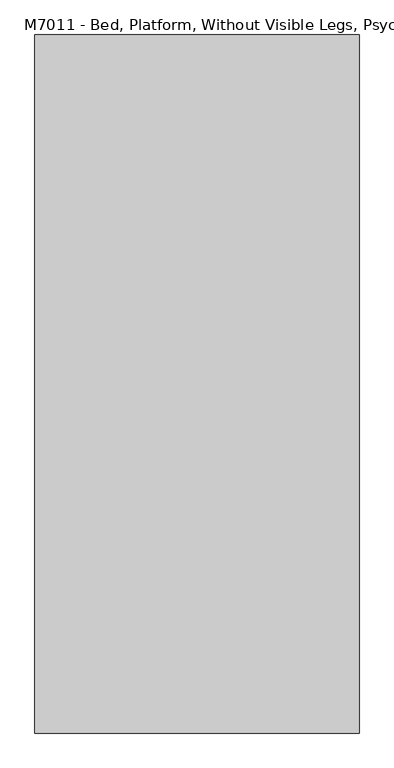
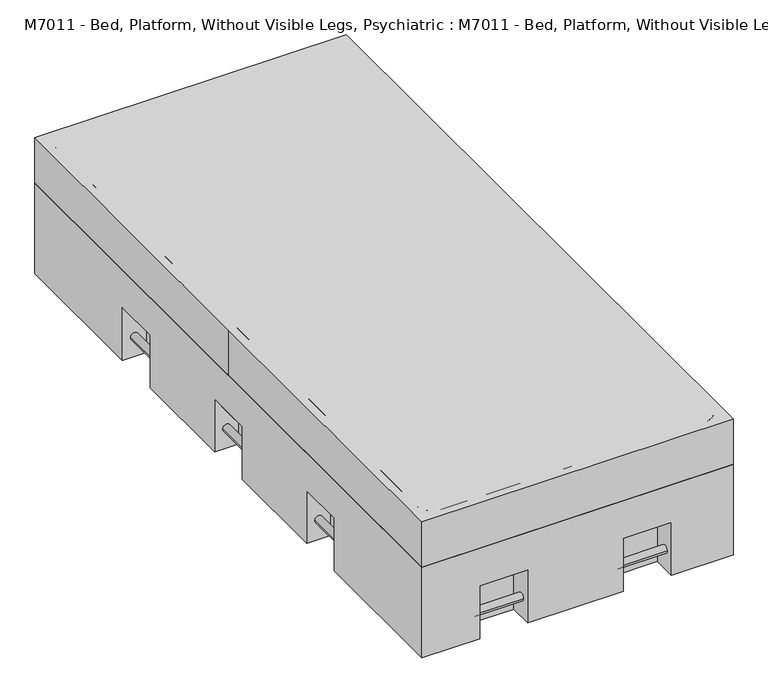
"""IFC4 building model written with IfcOpenShell, lengths in millimetres: proxy geometry, M7011 - Bed, Platform, Without Visible Legs, Psychiatric : M7011 - Bed, Platform, Without Visible Legs, Psychiatric."""

from ifc_helpers import new_model, si_unit, point, frame, frame_2d, origin, place, context, project, spatial, polyline, circle_curve, trimmed, segment, composite_curve, outline, extrude, faceted_brep, source, transform, mapped, element, save


def m7011_bed_platform_without_visible_legs_psychiatric_m7011_c11b0e18(model_context):
    return source(origin(), model_context, "Body", "SolidModel", [
        extrude(outline(composite_curve([segment(trimmed(circle_curve(frame_2d((68.0585065, -457.2)), 12.7), [point((68.0585065, -444.5))], [point((68.0585065, -469.9))], False, "CARTESIAN"), True, "CONTINUOUS"), segment(trimmed(circle_curve(frame_2d((68.0585065, -457.2)), 12.7), [point((68.0585065, -469.9))], [point((68.0585065, -444.5))], False, "CARTESIAN"), True, "CONTINUOUS")], self_intersect=False)), frame((0.0, 431.8, 0.0), z_axis=(0.0, 1.0, 0.0), x_axis=(0.0, 0.0, 1.0)), (0.0, 0.0, 1.0), 152.4),
        extrude(outline(composite_curve([segment(trimmed(circle_curve(frame_2d((68.0585065, -457.2)), 12.7), [point((68.0585065, -444.5))], [point((68.0585065, -469.9))], False, "CARTESIAN"), True, "CONTINUOUS"), segment(trimmed(circle_curve(frame_2d((68.0585065, -457.2)), 12.7), [point((68.0585065, -469.9))], [point((68.0585065, -444.5))], False, "CARTESIAN"), True, "CONTINUOUS")], self_intersect=False)), frame((0.0, -584.2, 0.0), z_axis=(0.0, 1.0, 0.0), x_axis=(0.0, 0.0, 1.0)), (0.0, 0.0, 1.0), 152.4),
        extrude(outline(composite_curve([segment(trimmed(circle_curve(frame_2d((68.0585065, -457.2)), 12.7), [point((68.0585065, -444.5))], [point((68.0585065, -469.9))], False, "CARTESIAN"), True, "CONTINUOUS"), segment(trimmed(circle_curve(frame_2d((68.0585065, -457.2)), 12.7), [point((68.0585065, -469.9))], [point((68.0585065, -444.5))], False, "CARTESIAN"), True, "CONTINUOUS")], self_intersect=False)), frame((0.0, -76.2, 0.0), z_axis=(0.0, 1.0, 0.0), x_axis=(0.0, 0.0, 1.0)), (0.0, 0.0, 1.0), 152.4),
        extrude(outline(composite_curve([segment(trimmed(circle_curve(frame_2d((68.0585065, 457.2)), 12.7), [point((68.0585065, 444.5))], [point((68.0585065, 469.9))], False, "CARTESIAN"), True, "CONTINUOUS"), segment(trimmed(circle_curve(frame_2d((68.0585065, 457.2)), 12.7), [point((68.0585065, 469.9))], [point((68.0585065, 444.5))], False, "CARTESIAN"), True, "CONTINUOUS")], self_intersect=False)), frame((0.0, 431.8, 0.0), z_axis=(0.0, 1.0, 0.0), x_axis=(0.0, 0.0, 1.0)), (0.0, 0.0, 1.0), 152.4),
        extrude(outline(composite_curve([segment(trimmed(circle_curve(frame_2d((68.0585065, 457.2)), 12.7), [point((68.0585065, 444.5))], [point((68.0585065, 469.9))], False, "CARTESIAN"), True, "CONTINUOUS"), segment(trimmed(circle_curve(frame_2d((68.0585065, 457.2)), 12.7), [point((68.0585065, 469.9))], [point((68.0585065, 444.5))], False, "CARTESIAN"), True, "CONTINUOUS")], self_intersect=False)), frame((0.0, -584.2, 0.0), z_axis=(0.0, 1.0, 0.0), x_axis=(0.0, 0.0, 1.0)), (0.0, 0.0, 1.0), 152.4),
        extrude(outline(composite_curve([segment(trimmed(circle_curve(frame_2d((68.0585065, 457.2)), 12.7), [point((68.0585065, 444.5))], [point((68.0585065, 469.9))], False, "CARTESIAN"), True, "CONTINUOUS"), segment(trimmed(circle_curve(frame_2d((68.0585065, 457.2)), 12.7), [point((68.0585065, 469.9))], [point((68.0585065, 444.5))], False, "CARTESIAN"), True, "CONTINUOUS")], self_intersect=False)), frame((0.0, -76.2, 0.0), z_axis=(0.0, 1.0, 0.0), x_axis=(0.0, 0.0, 1.0)), (0.0, 0.0, 1.0), 152.4),
        extrude(outline(composite_curve([segment(trimmed(circle_curve(frame_2d((-1032.01787, 68.0585065)), 12.7), [point((-1044.71787, 68.0585065))], [point((-1019.31787, 68.0585065))], False, "CARTESIAN"), True, "CONTINUOUS"), segment(trimmed(circle_curve(frame_2d((-1032.01787, 68.0585065)), 12.7), [point((-1019.31787, 68.0585065))], [point((-1044.71787, 68.0585065))], False, "CARTESIAN"), True, "CONTINUOUS")], self_intersect=False)), frame((-311.15, 0.0, 0.0), z_axis=(1.0, 0.0, 0.0), x_axis=(0.0, 1.0, 0.0)), (0.0, 0.0, 1.0), 152.4),
        extrude(outline(composite_curve([segment(trimmed(circle_curve(frame_2d((-1032.01787, 68.0585065)), 12.7), [point((-1044.71787, 68.0585065))], [point((-1019.31787, 68.0585065))], False, "CARTESIAN"), True, "CONTINUOUS"), segment(trimmed(circle_curve(frame_2d((-1032.01787, 68.0585065)), 12.7), [point((-1019.31787, 68.0585065))], [point((-1044.71787, 68.0585065))], False, "CARTESIAN"), True, "CONTINUOUS")], self_intersect=False)), frame((146.05, 0.0, 0.0), z_axis=(1.0, 0.0, 0.0), x_axis=(0.0, 1.0, 0.0)), (0.0, 0.0, 1.0), 152.4),
        extrude(outline(composite_curve([segment(trimmed(circle_curve(frame_2d((1032.01787, 68.0585065)), 12.7), [point((1044.71787, 68.0585065))], [point((1019.31787, 68.0585065))], False, "CARTESIAN"), True, "CONTINUOUS"), segment(trimmed(circle_curve(frame_2d((1032.01787, 68.0585065)), 12.7), [point((1019.31787, 68.0585065))], [point((1044.71787, 68.0585065))], False, "CARTESIAN"), True, "CONTINUOUS")], self_intersect=False)), frame((-311.15, 0.0, 0.0), z_axis=(1.0, 0.0, 0.0), x_axis=(0.0, 1.0, 0.0)), (0.0, 0.0, 1.0), 152.4),
        extrude(outline(composite_curve([segment(trimmed(circle_curve(frame_2d((1032.01787, 68.0585065)), 12.7), [point((1044.71787, 68.0585065))], [point((1019.31787, 68.0585065))], False, "CARTESIAN"), True, "CONTINUOUS"), segment(trimmed(circle_curve(frame_2d((1032.01787, 68.0585065)), 12.7), [point((1019.31787, 68.0585065))], [point((1044.71787, 68.0585065))], False, "CARTESIAN"), True, "CONTINUOUS")], self_intersect=False)), frame((146.05, 0.0, 0.0), z_axis=(1.0, 0.0, 0.0), x_axis=(0.0, 1.0, 0.0)), (0.0, 0.0, 1.0), 152.4),
        faceted_brep([(495.3, 1066.8, 304.8), (-495.3, 1066.8, 304.8), (-495.3, -1066.8, 304.8), (495.3, -1066.8, 304.8), (495.3, -1066.8, 0.0), (298.45, -1066.8, 0.0), (298.45, -990.6, 0.0), (146.05, -990.6, 0.0), (146.05, -1066.8, 0.0), (-158.75, -1066.8, 0.0), (-158.75, -990.6, 0.0), (-311.15, -990.6, 0.0), (-311.15, -1066.8, 0.0), (-495.3, -1066.8, 0.0), (-495.3, -584.2, 0.0), (-419.1, -584.2, 0.0), (-419.1, -431.8, 0.0), (-495.3, -431.8, 0.0), (-495.3, -76.2, 0.0), (-419.1, -76.2, 0.0), (-419.1, 76.2, 0.0), (-495.3, 76.2, 0.0), (-495.3, 431.8, 0.0), (-419.1, 431.8, 0.0), (-419.1, 584.2, 0.0), (-495.3, 584.2, 0.0), (-495.3, 1066.8, 0.0), (-311.15, 1066.8, 0.0), (-311.15, 990.6, 0.0), (-158.75, 990.6, 0.0), (-158.75, 1066.8, 0.0), (146.05, 1066.8, 0.0), (146.05, 990.6, 0.0), (298.45, 990.6, 0.0), (298.45, 1066.8, 0.0), (495.3, 1066.8, 0.0), (495.3, 584.2, 0.0), (419.1, 584.2, 0.0), (419.1, 431.8, 0.0), (495.3, 431.8, 0.0), (495.3, 76.2, 0.0), (419.1, 76.2, 0.0), (419.1, -76.2, 0.0), (495.3, -76.2, 0.0), (495.3, -431.8, 0.0), (419.1, -431.8, 0.0), (419.1, -584.2, 0.0), (495.3, -584.2, 0.0), (298.45, 1066.8, 177.8), (146.05, 1066.8, 177.8), (-158.75, 1066.8, 177.8), (-311.15, 1066.8, 177.8), (-495.3, 584.2, 177.8), (-495.3, 431.8, 177.8), (-495.3, 76.2, 177.8), (-495.3, -76.2, 177.8), (-495.3, -431.8, 177.8), (-495.3, -584.2, 177.8), (-311.15, -1066.8, 177.8), (-158.75, -1066.8, 177.8), (146.05, -1066.8, 177.8), (298.45, -1066.8, 177.8), (495.3, -584.2, 177.8), (495.3, -431.8, 177.8), (495.3, -76.2, 177.8), (495.3, 76.2, 177.8), (495.3, 431.8, 177.8), (495.3, 584.2, 177.8), (298.45, -990.6, 177.8), (146.05, -990.6, 177.8), (-158.75, -990.6, 177.8), (-311.15, -990.6, 177.8), (298.45, 990.6, 177.8), (146.05, 990.6, 177.8), (-158.75, 990.6, 177.8), (-311.15, 990.6, 177.8), (419.1, 76.2, 177.8), (419.1, -76.2, 177.8), (419.1, -431.8, 177.8), (419.1, -584.2, 177.8), (419.1, 431.8, 177.8), (419.1, 584.2, 177.8), (-419.1, 76.2, 177.8), (-419.1, -76.2, 177.8), (-419.1, -431.8, 177.8), (-419.1, -584.2, 177.8), (-419.1, 431.8, 177.8), (-419.1, 584.2, 177.8)], [[[0, 1, 2, 3]], [[4, 5, 6, 7, 8, 9, 10, 11, 12, 13, 14, 15, 16, 17, 18, 19, 20, 21, 22, 23, 24, 25, 26, 27, 28, 29, 30, 31, 32, 33, 34, 35, 36, 37, 38, 39, 40, 41, 42, 43, 44, 45, 46, 47]], [[1, 0, 35, 34, 48, 49, 31, 30, 50, 51, 27, 26]], [[2, 1, 26, 25, 52, 53, 22, 21, 54, 55, 18, 17, 56, 57, 14, 13]], [[3, 2, 13, 12, 58, 59, 9, 8, 60, 61, 5, 4]], [[0, 3, 4, 47, 62, 63, 44, 43, 64, 65, 40, 39, 66, 67, 36, 35]], [[61, 68, 6, 5]], [[7, 69, 60, 8]], [[6, 68, 69, 7]], [[68, 61, 60, 69]], [[59, 70, 10, 9]], [[11, 71, 58, 12]], [[10, 70, 71, 11]], [[70, 59, 58, 71]], [[33, 72, 48, 34]], [[49, 73, 32, 31]], [[48, 72, 73, 49]], [[72, 33, 32, 73]], [[29, 74, 50, 30]], [[51, 75, 28, 27]], [[50, 74, 75, 51]], [[74, 29, 28, 75]], [[65, 76, 41, 40]], [[42, 77, 64, 43]], [[41, 76, 77, 42]], [[76, 65, 64, 77]], [[63, 78, 45, 44]], [[46, 79, 62, 47]], [[45, 78, 79, 46]], [[78, 63, 62, 79]], [[38, 80, 66, 39]], [[67, 81, 37, 36]], [[80, 38, 37, 81]], [[66, 80, 81, 67]], [[20, 82, 54, 21]], [[55, 83, 19, 18]], [[82, 20, 19, 83]], [[54, 82, 83, 55]], [[16, 84, 56, 17]], [[57, 85, 15, 14]], [[84, 16, 15, 85]], [[56, 84, 85, 57]], [[53, 86, 23, 22]], [[24, 87, 52, 25]], [[23, 86, 87, 24]], [[86, 53, 52, 87]]]),
        faceted_brep([(-495.3, 1066.8, 457.2), (-495.3, 0.0, 457.2), (-495.3, -1066.8, 457.2), (495.3, -1066.8, 457.2), (495.3, 1066.8, 457.2), (495.3, -1066.8, 0.0), (298.45, -1066.8, 0.0), (298.45, -990.6, 0.0), (146.05, -990.6, 0.0), (146.05, -1066.8, 0.0), (-158.75, -1066.8, 0.0), (-158.75, -990.6, 0.0), (-311.15, -990.6, 0.0), (-311.15, -1066.8, 0.0), (-495.3, -1066.8, 0.0), (-495.3, -584.2, 0.0), (-419.1, -584.2, 0.0), (-419.1, -431.8, 0.0), (-495.3, -431.8, 0.0), (-495.3, -76.2, 0.0), (-419.1, -76.2, 0.0), (-419.1, 76.2, 0.0), (-495.3, 76.2, 0.0), (-495.3, 431.8, 0.0), (-419.1, 431.8, 0.0), (-419.1, 584.2, 0.0), (-495.3, 584.2, 0.0), (-495.3, 1066.8, 0.0), (-311.15, 1066.8, 0.0), (-311.15, 990.6, 0.0), (-158.75, 990.6, 0.0), (-158.75, 1066.8, 0.0), (146.05, 1066.8, 0.0), (146.05, 990.6, 0.0), (298.45, 990.6, 0.0), (298.45, 1066.8, 0.0), (495.3, 1066.8, 0.0), (495.3, 584.2, 0.0), (419.1, 584.2, 0.0), (419.1, 431.8, 0.0), (495.3, 431.8, 0.0), (495.3, 76.2, 0.0), (419.1, 76.2, 0.0), (419.1, -76.2, 0.0), (495.3, -76.2, 0.0), (495.3, -431.8, 0.0), (419.1, -431.8, 0.0), (419.1, -584.2, 0.0), (495.3, -584.2, 0.0), (-495.3, 584.2, 177.8), (-495.3, 431.8, 177.8), (-495.3, 76.2, 177.8), (-495.3, 0.0, 177.8), (-495.3, -76.2, 177.8), (-495.3, -431.8, 177.8), (-495.3, -584.2, 177.8), (-311.15, -1066.8, 177.8), (-158.75, -1066.8, 177.8), (146.05, -1066.8, 177.8), (298.45, -1066.8, 177.8), (495.3, -584.2, 177.8), (495.3, -431.8, 177.8), (495.3, -76.2, 177.8), (495.3, 76.2, 177.8), (495.3, 431.8, 177.8), (495.3, 584.2, 177.8), (298.45, 1066.8, 177.8), (146.05, 1066.8, 177.8), (-158.75, 1066.8, 177.8), (-311.15, 1066.8, 177.8), (298.45, -990.6, 177.8), (146.05, -990.6, 177.8), (-158.75, -990.6, 177.8), (-311.15, -990.6, 177.8), (298.45, 990.6, 177.8), (146.05, 990.6, 177.8), (-158.75, 990.6, 177.8), (-311.15, 990.6, 177.8), (419.1, 76.2, 177.8), (419.1, -76.2, 177.8), (419.1, -431.8, 177.8), (419.1, -584.2, 177.8), (419.1, 431.8, 177.8), (419.1, 584.2, 177.8), (-419.1, 76.2, 177.8), (-419.1, -76.2, 177.8), (-419.1, -431.8, 177.8), (-419.1, -584.2, 177.8), (-419.1, 431.8, 177.8), (-419.1, 584.2, 177.8)], [[[0, 1, 2, 3, 4]], [[5, 6, 7, 8, 9, 10, 11, 12, 13, 14, 15, 16, 17, 18, 19, 20, 21, 22, 23, 24, 25, 26, 27, 28, 29, 30, 31, 32, 33, 34, 35, 36, 37, 38, 39, 40, 41, 42, 43, 44, 45, 46, 47, 48]], [[1, 0, 27, 26, 49, 50, 23, 22, 51, 52]], [[2, 1, 52, 53, 19, 18, 54, 55, 15, 14]], [[3, 2, 14, 13, 56, 57, 10, 9, 58, 59, 6, 5]], [[4, 3, 5, 48, 60, 61, 45, 44, 62, 63, 41, 40, 64, 65, 37, 36]], [[0, 4, 36, 35, 66, 67, 32, 31, 68, 69, 28, 27]], [[59, 70, 7, 6]], [[8, 71, 58, 9]], [[7, 70, 71, 8]], [[70, 59, 58, 71]], [[57, 72, 11, 10]], [[12, 73, 56, 13]], [[11, 72, 73, 12]], [[72, 57, 56, 73]], [[34, 74, 66, 35]], [[67, 75, 33, 32]], [[66, 74, 75, 67]], [[74, 34, 33, 75]], [[30, 76, 68, 31]], [[69, 77, 29, 28]], [[68, 76, 77, 69]], [[76, 30, 29, 77]], [[63, 78, 42, 41]], [[43, 79, 62, 44]], [[42, 78, 79, 43]], [[78, 63, 62, 79]], [[61, 80, 46, 45]], [[47, 81, 60, 48]], [[46, 80, 81, 47]], [[80, 61, 60, 81]], [[39, 82, 64, 40]], [[65, 83, 38, 37]], [[82, 39, 38, 83]], [[64, 82, 83, 65]], [[21, 84, 51, 22]], [[53, 85, 20, 19]], [[84, 21, 20, 85]], [[51, 84, 85, 53, 52]], [[17, 86, 54, 18]], [[55, 87, 16, 15]], [[86, 17, 16, 87]], [[54, 86, 87, 55]], [[50, 88, 24, 23]], [[25, 89, 49, 26]], [[24, 88, 89, 25]], [[88, 50, 49, 89]]]),
        extrude(outline(composite_curve([segment(trimmed(circle_curve(frame_2d((419.1, 990.6)), 50.8), [point((419.1, 1041.4))], [point((469.9, 990.6))], False, "CARTESIAN"), True, "CONTINUOUS"), segment(polyline([(469.9, 990.6), (469.9, -990.6)]), True, "CONTINUOUS"), segment(trimmed(circle_curve(frame_2d((419.1, -990.6)), 50.8), [point((469.9, -990.6))], [point((419.1, -1041.4))], False, "CARTESIAN"), True, "CONTINUOUS"), segment(polyline([(419.1, -1041.4), (-419.1, -1041.4)]), True, "CONTINUOUS"), segment(trimmed(circle_curve(frame_2d((-419.1, -990.6)), 50.8), [point((-419.1, -1041.4))], [point((-469.9, -990.6))], False, "CARTESIAN"), True, "CONTINUOUS"), segment(polyline([(-469.9, -990.6), (-469.9, 990.6)]), True, "CONTINUOUS"), segment(trimmed(circle_curve(frame_2d((-419.1, 990.6)), 50.8), [point((-469.9, 990.6))], [point((-419.1, 1041.4))], False, "CARTESIAN"), True, "CONTINUOUS"), segment(polyline([(-419.1, 1041.4), (419.1, 1041.4)]), True, "CONTINUOUS")], self_intersect=False)), frame((0.0, 0.0, 304.8), z_axis=(0.0, 0.0, 1.0), x_axis=(1.0, 0.0, 0.0)), (0.0, 0.0, 1.0), 152.4),
    ])


if __name__ == "__main__":
    model = new_model("IFC4")
    model_context = context("Model", 3, world=origin())
    ifc_project = project(units=[si_unit("LENGTHUNIT", "METRE", prefix="MILLI")], contexts=[model_context])
    site = spatial("IfcSite", under=ifc_project)
    building = spatial("IfcBuilding", under=site)
    placement = place(None, origin())
    m7011_bed_platform_without_visible_legs_psychiatric_m7011_shape = m7011_bed_platform_without_visible_legs_psychiatric_m7011_c11b0e18(model_context)
    element("IfcBuildingElementProxy", 1, Name="M7011 - Bed, Platform, Without Visible Legs, Psychiatric : M7011 - Bed, Platform, Without Visible Legs, Psychiatric", ObjectType="M7011 - Bed, Platform, Without Visible Legs, Psychiatric : M7011 - Bed, Platform, Without Visible Legs, Psychiatric", at=placement, inside=building, context=model_context, shape_type="MappedRepresentation", body=[
        mapped(m7011_bed_platform_without_visible_legs_psychiatric_m7011_shape, transform((0.0, 0.0, 0.0), x_axis=(1.0, 0.0, 0.0), y_axis=(0.0, 1.0, 0.0), z_axis=(0.0, 0.0, 1.0))),
    ])
    save(model, "model.ifc")
